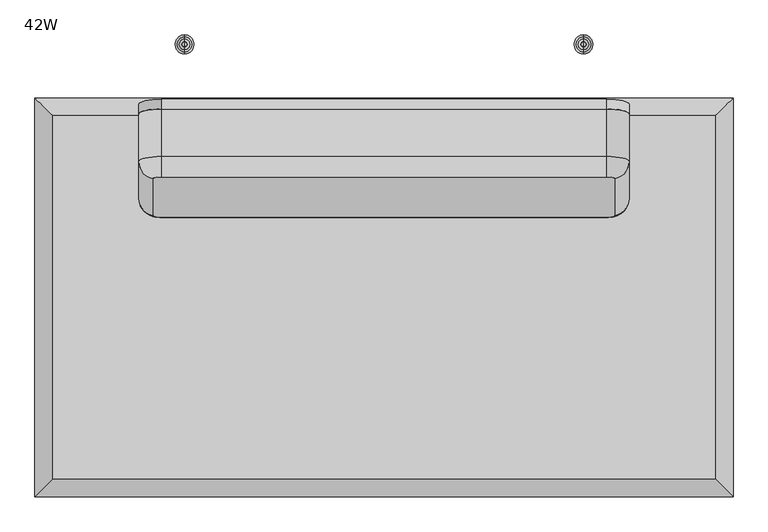
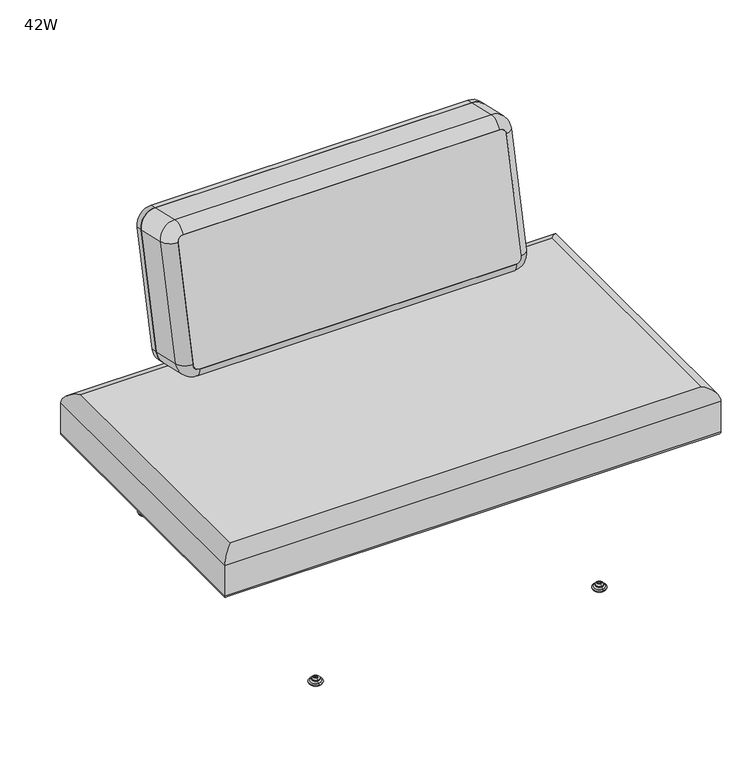
"""IFC4 building model written with IfcOpenShell, lengths in millimetres: furniture geometry, 42W."""

from ifc_helpers import new_model, si_unit, point, frame, frame_2d, origin, place, context, project, spatial, polyline, circle_curve, ellipse_curve, trimmed, segment, composite_curve, outline, extrude, source, transform, mapped, element, save
from ifc_brep_helpers import plane_surface, cylinder_surface, revolved_surface, advanced_brep


def furniture_42w_9d2372a4(model_context):
    return source(origin(), model_context, "Body", "SolidModel", [
        extrude(outline(composite_curve([segment(trimmed(circle_curve(frame_2d((0.0, -34.2841348)), 34.2841348), [point((34.2841348, -34.2841348))], [point((0.0, -68.5682696))], False, "CARTESIAN"), True, "CONTINUOUS"), segment(polyline([(0.0, -68.5682696), (-249.5042521, -68.5682696)]), True, "CONTINUOUS"), segment(trimmed(circle_curve(frame_2d((-249.5042521, -34.2841348)), 34.2841348), [point((-249.5042521, -68.5682696))], [point((-283.7883869, -34.2841348))], False, "CARTESIAN"), True, "CONTINUOUS"), segment(polyline([(-283.7883869, -34.2841348), (-283.7883869, 646.50369)]), True, "CONTINUOUS"), segment(trimmed(circle_curve(frame_2d((-249.5042521, 646.50369)), 34.2841348), [point((-283.7883869, 646.50369))], [point((-249.5042521, 680.7878248))], False, "CARTESIAN"), True, "CONTINUOUS"), segment(polyline([(-249.5042521, 680.7878248), (0.0, 680.7878248)]), True, "CONTINUOUS"), segment(trimmed(circle_curve(frame_2d((0.0, 646.50369)), 34.2841348), [point((0.0, 680.7878248))], [point((34.2841348, 646.50369))], False, "CARTESIAN"), True, "CONTINUOUS"), segment(polyline([(34.2841348, 646.50369), (34.2841348, -34.2841348)]), True, "CONTINUOUS")], self_intersect=False)), frame((839.4758652, -106.2904287, 729.1964486), z_axis=(0.0, -0.9743700647852357, 0.2249510543438632), x_axis=(0.0, 0.2249510543438632, 0.9743700647852357)), (0.0, 0.0, 1.0), 15.2414002),
        advanced_brep(
        [(27.2635975, -123.7984512, 405.8895176), (27.2635975, -678.8688097, 405.8895176), (1039.5428944, -678.8688097, 405.8895176), (1039.5428944, -123.7984512, 405.8895176), (6.3491764, -699.7832308, 304.2919641), (6.3491764, -102.8840302, 304.2919641), (1060.4573154, -102.8840302, 304.2919641), (1060.4573154, -699.7832308, 304.2919641), (-0.0008236, -96.5340302, 310.6419641), (-0.0008236, -706.1332308, 310.6419641), (-0.0008236, -706.1332308, 379.4503267), (-0.0008236, -96.5340302, 379.4503267), (1066.8073154, -706.1332308, 310.6419641), (1066.8073154, -706.1332308, 379.4503267), (1066.8073154, -96.5340302, 310.6419641), (1066.8073154, -96.5340302, 379.4503267)],
        [
            (0, 1),
            (1, 2),
            (2, 3),
            (3, 0),
            (4, 5),
            (5, 6),
            (6, 7),
            (7, 4),
            (8, 5, ellipse_curve(frame((6.3491764, -102.8840302, 310.6419641), z_axis=(-0.7071067811865481, -0.7071067811865468, 0.0), x_axis=(-0.7071067811865466, 0.7071067811865483, 0.0)), 8.9802561, 6.35)),
            (4, 9, ellipse_curve(frame((6.3491764, -699.7832308, 310.6419641), z_axis=(-0.7071067811865468, 0.7071067811865481, 0.0), x_axis=(0.7071067811865481, 0.7071067811865469, 0.0)), 8.9802561, 6.35)),
            (9, 8),
            (9, 10),
            (10, 11),
            (11, 8),
            (10, 1, ellipse_curve(frame((26.4508562, -679.681551, 379.4503267), z_axis=(-0.7071067811865468, 0.7071067811865481, 0.0), x_axis=(0.7071067811865481, 0.7071067811865469, 0.0)), 37.4083243, 26.4516798)),
            (0, 11, ellipse_curve(frame((26.4508562, -122.98571, 379.4503267), z_axis=(-0.7071067811865481, -0.7071067811865468, 0.0), x_axis=(-0.7071067811865466, 0.7071067811865483, 0.0)), 37.4083243, 26.4516798)),
            (7, 12, ellipse_curve(frame((1060.4573154, -699.7832308, 310.6419641), z_axis=(-0.7071067811865476, -0.7071067811865474, 0.0), x_axis=(-0.7071067811865475, 0.7071067811865475, 0.0)), 8.9802561, 6.35)),
            (12, 9),
            (12, 13),
            (13, 10),
            (13, 2, ellipse_curve(frame((1040.3556356, -679.681551, 379.4503267), z_axis=(-0.7071067811865476, -0.7071067811865474, 0.0), x_axis=(-0.7071067811865475, 0.7071067811865475, 0.0)), 37.4083243, 26.4516798)),
            (6, 14, ellipse_curve(frame((1060.4573154, -102.8840302, 310.6419641), z_axis=(0.7071067811865474, -0.7071067811865476, 0.0), x_axis=(-0.7071067811865475, -0.7071067811865475, 0.0)), 8.9802561, 6.35)),
            (14, 12),
            (14, 15),
            (15, 13),
            (15, 3, ellipse_curve(frame((1040.3556356, -122.98571, 379.4503267), z_axis=(0.7071067811865474, -0.7071067811865476, 0.0), x_axis=(-0.7071067811865475, -0.7071067811865475, 0.0)), 37.4083243, 26.4516798)),
            (8, 14),
            (11, 15),
        ],
        [
            plane_surface(frame((27.2635975, -678.8688097, 405.8895176), z_axis=(0.0, 0.0, 1.0), x_axis=(1.0, 0.0, 0.0))),
            plane_surface(frame((27.2635975, -678.8688097, 304.2919641), z_axis=(0.0, 0.0, -1.0), x_axis=(-1.0, 0.0, 0.0))),
            cylinder_surface(frame((6.3491764, -123.7984512, 310.6419641), z_axis=(0.0, 1.0, 0.0), x_axis=(1.0, 0.0, 0.0)), 6.35),
            plane_surface(frame((-0.0008236, -96.5340302, 310.6419641), z_axis=(-1.0, 0.0, 0.0), x_axis=(0.0, -1.0, 0.0))),
            cylinder_surface(frame((26.4508562, -123.7984512, 379.4503267), z_axis=(0.0, 1.0, 0.0), x_axis=(1.0, 0.0, 0.0)), 26.4516798),
            cylinder_surface(frame((27.2635975, -699.7832308, 310.6419641), z_axis=(-1.0, 0.0, 0.0), x_axis=(0.0, 1.0, 0.0)), 6.35),
            plane_surface(frame((-0.0008236, -706.1332308, 310.6419641), z_axis=(0.0, -1.0, 0.0), x_axis=(1.0, 0.0, 0.0))),
            cylinder_surface(frame((27.2635975, -679.681551, 379.4503267), z_axis=(-1.0, 0.0, 0.0), x_axis=(0.0, 1.0, 0.0)), 26.4516798),
            cylinder_surface(frame((1060.4573154, -678.8688097, 310.6419641), z_axis=(0.0, -1.0, 0.0), x_axis=(-1.0, 0.0, 0.0)), 6.35),
            plane_surface(frame((1066.8073154, -706.1332308, 310.6419641), z_axis=(1.0, 0.0, 0.0), x_axis=(0.0, 1.0, 0.0))),
            cylinder_surface(frame((1040.3556356, -678.8688097, 379.4503267), z_axis=(0.0, -1.0, 0.0), x_axis=(-1.0, 0.0, 0.0)), 26.4516798),
            cylinder_surface(frame((1039.5428944, -102.8840302, 310.6419641), z_axis=(1.0, 0.0, 0.0), x_axis=(0.0, -1.0, 0.0)), 6.35),
            plane_surface(frame((1066.8073154, -96.5340302, 310.6419641), z_axis=(0.0, 1.0, 0.0), x_axis=(-1.0, 0.0, 0.0))),
            cylinder_surface(frame((1039.5428944, -122.98571, 379.4503267), z_axis=(1.0, 0.0, 0.0), x_axis=(0.0, -1.0, 0.0)), 26.4516798),
        ],
        [
            (0, [[1, 2, 3, 4]]),
            (1, [[5, 6, 7, 8]]),
            (2, [[9, -5, 10, 11]]),
            (3, [[-11, 12, 13, 14]]),
            (4, [[-13, 15, -1, 16]]),
            (5, [[-10, -8, 17, 18]]),
            (6, [[-12, -18, 19, 20]]),
            (7, [[-15, -20, 21, -2]]),
            (8, [[-17, -7, 22, 23]]),
            (9, [[-19, -23, 24, 25]]),
            (10, [[-21, -25, 26, -3]]),
            (11, [[-9, 27, -22, -6]]),
            (12, [[-14, 28, -24, -27]]),
            (13, [[-16, -4, -26, -28]]),
        ],
    ),
        advanced_brep(
        [(838.2, -645.9431587, 14.8752118), (838.2, -652.5665699, 14.8752118), (838.2, -649.2548643, 14.8752118), (838.2, -645.3562211, 13.858606), (838.2, -653.1535076, 13.858606), (838.2, -641.3242474, 11.2402116), (838.2, -657.1854813, 11.2402116), (838.2, -641.3242474, 8.74896), (838.2, -657.1854813, 8.74896), (838.2, -642.9059165, 8.74896), (838.2, -655.6038121, 8.74896), (838.2, -638.0462975, 5.9432577), (838.2, -660.4634312, 5.9432577), (838.2, -634.8556417, 3.5556814), (838.2, -663.6540869, 3.5556814), (838.2, -636.908533, 0.0), (838.2, -661.6011957, 0.0), (838.2, -649.2548643, 0.0)],
        [
            (0, 1, circle_curve(frame((838.2, -649.2548643, 14.8752118), z_axis=(0.0, 0.0, 1.0), x_axis=(0.0, -1.0, 0.0)), 3.3117056)),
            (1, 2),
            (2, 0),
            (1, 0, circle_curve(frame((838.2, -649.2548643, 14.8752118), z_axis=(0.0, 0.0, 1.0), x_axis=(0.0, -1.0, 0.0)), 3.3117056)),
            (3, 4, circle_curve(frame((838.2, -649.2548643, 13.858606), z_axis=(0.0, 0.0, 1.0), x_axis=(0.0, -1.0, 0.0)), 3.8986433)),
            (4, 1),
            (0, 3),
            (4, 3, circle_curve(frame((838.2, -649.2548643, 13.858606), z_axis=(0.0, 0.0, 1.0), x_axis=(0.0, -1.0, 0.0)), 3.8986433)),
            (5, 6, circle_curve(frame((838.2, -649.2548643, 11.2402116), z_axis=(0.0, 0.0, 1.0), x_axis=(0.0, -1.0, 0.0)), 7.930617)),
            (6, 4),
            (3, 5),
            (6, 5, circle_curve(frame((838.2, -649.2548643, 11.2402116), z_axis=(0.0, 0.0, 1.0), x_axis=(0.0, -1.0, 0.0)), 7.930617)),
            (7, 8, circle_curve(frame((838.2, -649.2548643, 8.74896), z_axis=(0.0, 0.0, 1.0), x_axis=(0.0, -1.0, 0.0)), 7.930617)),
            (8, 6),
            (5, 7),
            (8, 7, circle_curve(frame((838.2, -649.2548643, 8.74896), z_axis=(0.0, 0.0, 1.0), x_axis=(0.0, -1.0, 0.0)), 7.930617)),
            (9, 10, circle_curve(frame((838.2, -649.2548643, 8.74896), z_axis=(0.0, 0.0, 1.0), x_axis=(0.0, -1.0, 0.0)), 6.3489478)),
            (10, 8),
            (7, 9),
            (10, 9, circle_curve(frame((838.2, -649.2548643, 8.74896), z_axis=(0.0, 0.0, 1.0), x_axis=(0.0, -1.0, 0.0)), 6.3489478)),
            (11, 12, circle_curve(frame((838.2, -649.2548643, 5.9432577), z_axis=(0.0, 0.0, 1.0), x_axis=(0.0, -1.0, 0.0)), 11.2085669)),
            (12, 10, circle_curve(frame((838.2, -660.1160571, 10.9529929), z_axis=(1.0, 0.0, 0.0), x_axis=(0.0, -1.0, 0.0)), 5.0217642)),
            (9, 11, circle_curve(frame((838.2, -638.3936715, 10.9529929), z_axis=(1.0, 0.0, 0.0), x_axis=(0.0, 1.0, 0.0)), 5.0217642)),
            (12, 11, circle_curve(frame((838.2, -649.2548643, 5.9432577), z_axis=(0.0, 0.0, 1.0), x_axis=(0.0, -1.0, 0.0)), 11.2085669)),
            (13, 14, circle_curve(frame((838.2, -649.2548643, 3.5556814), z_axis=(0.0, 0.0, 1.0), x_axis=(0.0, -1.0, 0.0)), 14.3992226)),
            (14, 12, circle_curve(frame((838.2, -660.6744794, 2.8995769), z_axis=(-1.0, 0.0, 0.0), x_axis=(0.0, -1.0, 0.0)), 3.050989)),
            (11, 13, circle_curve(frame((838.2, -637.8352492, 2.8995769), z_axis=(-1.0, 0.0, 0.0), x_axis=(0.0, 1.0, 0.0)), 3.050989)),
            (14, 13, circle_curve(frame((838.2, -649.2548643, 3.5556814), z_axis=(0.0, 0.0, 1.0), x_axis=(0.0, -1.0, 0.0)), 14.3992226)),
            (15, 16, circle_curve(frame((838.2, -649.2548643, 0.0), z_axis=(0.0, 0.0, 1.0), x_axis=(0.0, -1.0, 0.0)), 12.3463313)),
            (16, 14),
            (13, 15),
            (16, 15, circle_curve(frame((838.2, -649.2548643, 0.0), z_axis=(0.0, 0.0, 1.0), x_axis=(0.0, -1.0, 0.0)), 12.3463313)),
            (17, 16),
            (15, 17),
        ],
        [
            plane_surface(frame((838.2, -649.2548643, 14.8752118), z_axis=(0.0, 0.0, 1.0), x_axis=(0.0, -1.0, 0.0))),
            revolved_surface(polyline([(838.2, -652.5665699, 14.8752118), (838.2, -653.1535076, 13.858606)]), (838.2, -649.2548643, 0.0), (0.0, 0.0, -1.0)),
            revolved_surface(polyline([(838.2, -653.1535076, 13.858606), (838.2, -657.1854813, 11.2402116)]), (838.2, -649.2548643, 0.0), (0.0, 0.0, -1.0)),
            cylinder_surface(frame((838.2, -649.2548643, 0.0), z_axis=(0.0, 0.0, -1.0), x_axis=(0.0, -1.0, 0.0)), 7.930617),
            plane_surface(frame((838.2, -649.2548643, 8.74896), z_axis=(0.0, 0.0, -1.0), x_axis=(0.0, -1.0, 0.0))),
            revolved_surface(trimmed(ellipse_curve(frame((838.2, -660.1160571, 10.9529929), z_axis=(-1.0, 0.0, 0.0), x_axis=(0.0, -1.0, 0.0)), 5.0217642, 5.0217642), [point((838.2, -655.6038121, 8.74896))], [point((838.2, -660.4634312, 5.9432577))], True, "CARTESIAN"), (838.2, -649.2548643, 0.0), (0.0, 0.0, -1.0)),
            revolved_surface(trimmed(ellipse_curve(frame((838.2, -660.6744794, 2.8995769), z_axis=(1.0, 0.0, 0.0), x_axis=(0.0, -1.0, 0.0)), 3.050989, 3.050989), [point((838.2, -660.4634312, 5.9432577))], [point((838.2, -663.6540869, 3.5556814))], True, "CARTESIAN"), (838.2, -649.2548643, 0.0), (0.0, 0.0, -1.0)),
            revolved_surface(polyline([(838.2, -663.6540869, 3.5556814), (838.2, -661.6011957, 0.0)]), (838.2, -649.2548643, 0.0), (0.0, 0.0, -1.0)),
            plane_surface(frame((838.2, -649.2548643, 0.0), z_axis=(0.0, 0.0, -1.0), x_axis=(0.0, -1.0, 0.0))),
        ],
        [
            (0, [[1, 2, 3]]),
            (0, [[4, -3, -2]]),
            (1, [[5, 6, -1, 7]]),
            (1, [[8, -7, -4, -6]]),
            (2, [[9, 10, -5, 11]]),
            (2, [[12, -11, -8, -10]]),
            (3, [[13, 14, -9, 15]]),
            (3, [[16, -15, -12, -14]]),
            (4, [[17, 18, -13, 19]]),
            (4, [[20, -19, -16, -18]]),
            (5, [[21, 22, -17, 23]]),
            (5, [[24, -23, -20, -22]]),
            (6, [[25, 26, -21, 27]]),
            (6, [[28, -27, -24, -26]]),
            (7, [[29, 30, -25, 31]]),
            (7, [[32, -31, -28, -30]]),
            (8, [[33, -29, 34]]),
            (8, [[-34, -32, -33]]),
        ],
    ),
        advanced_brep(
        [(838.2, -14.3992226, 14.8752118), (838.2, -11.087517, 14.8752118), (838.2, -17.7109282, 14.8752118), (838.2, -10.5005793, 13.858606), (838.2, -18.2978659, 13.858606), (838.2, -6.4686056, 11.2402116), (838.2, -22.3298395, 11.2402116), (838.2, -6.4686056, 8.74896), (838.2, -22.3298395, 8.74896), (838.2, -8.0502748, 8.74896), (838.2, -20.7481704, 8.74896), (838.2, -3.1906557, 5.9432577), (838.2, -25.6077895, 5.9432577), (838.2, 0.0, 3.5556814), (838.2, -28.7984452, 3.5556814), (838.2, -2.0528912, 0.0), (838.2, -26.7455539, 0.0), (838.2, -14.3992226, 0.0)],
        [
            (0, 1),
            (1, 2, circle_curve(frame((838.2, -14.3992226, 14.8752118), z_axis=(0.0, 0.0, 1.0), x_axis=(0.0, 1.0, 0.0)), 3.3117056)),
            (2, 0),
            (2, 1, circle_curve(frame((838.2, -14.3992226, 14.8752118), z_axis=(0.0, 0.0, 1.0), x_axis=(0.0, 1.0, 0.0)), 3.3117056)),
            (1, 3),
            (3, 4, circle_curve(frame((838.2, -14.3992226, 13.858606), z_axis=(0.0, 0.0, 1.0), x_axis=(0.0, 1.0, 0.0)), 3.8986433)),
            (4, 2),
            (4, 3, circle_curve(frame((838.2, -14.3992226, 13.858606), z_axis=(0.0, 0.0, 1.0), x_axis=(0.0, 1.0, 0.0)), 3.8986433)),
            (3, 5),
            (5, 6, circle_curve(frame((838.2, -14.3992226, 11.2402116), z_axis=(0.0, 0.0, 1.0), x_axis=(0.0, 1.0, 0.0)), 7.930617)),
            (6, 4),
            (6, 5, circle_curve(frame((838.2, -14.3992226, 11.2402116), z_axis=(0.0, 0.0, 1.0), x_axis=(0.0, 1.0, 0.0)), 7.930617)),
            (5, 7),
            (7, 8, circle_curve(frame((838.2, -14.3992226, 8.74896), z_axis=(0.0, 0.0, 1.0), x_axis=(0.0, 1.0, 0.0)), 7.930617)),
            (8, 6),
            (8, 7, circle_curve(frame((838.2, -14.3992226, 8.74896), z_axis=(0.0, 0.0, 1.0), x_axis=(0.0, 1.0, 0.0)), 7.930617)),
            (7, 9),
            (9, 10, circle_curve(frame((838.2, -14.3992226, 8.74896), z_axis=(0.0, 0.0, 1.0), x_axis=(0.0, 1.0, 0.0)), 6.3489478)),
            (10, 8),
            (10, 9, circle_curve(frame((838.2, -14.3992226, 8.74896), z_axis=(0.0, 0.0, 1.0), x_axis=(0.0, 1.0, 0.0)), 6.3489478)),
            (9, 11, circle_curve(frame((838.2, -3.5380298, 10.9529929), z_axis=(1.0, 0.0, 0.0), x_axis=(0.0, -1.0, 0.0)), 5.0217642)),
            (11, 12, circle_curve(frame((838.2, -14.3992226, 5.9432577), z_axis=(0.0, 0.0, 1.0), x_axis=(0.0, 1.0, 0.0)), 11.2085669)),
            (12, 10, circle_curve(frame((838.2, -25.2604154, 10.9529929), z_axis=(1.0, 0.0, 0.0), x_axis=(0.0, 1.0, 0.0)), 5.0217642)),
            (12, 11, circle_curve(frame((838.2, -14.3992226, 5.9432577), z_axis=(0.0, 0.0, 1.0), x_axis=(0.0, 1.0, 0.0)), 11.2085669)),
            (11, 13, circle_curve(frame((838.2, -2.9796075, 2.8995769), z_axis=(-1.0, 0.0, 0.0), x_axis=(0.0, -1.0, 0.0)), 3.050989)),
            (13, 14, circle_curve(frame((838.2, -14.3992226, 3.5556814), z_axis=(0.0, 0.0, 1.0), x_axis=(0.0, 1.0, 0.0)), 14.3992226)),
            (14, 12, circle_curve(frame((838.2, -25.8188377, 2.8995769), z_axis=(-1.0, 0.0, 0.0), x_axis=(0.0, 1.0, 0.0)), 3.050989)),
            (14, 13, circle_curve(frame((838.2, -14.3992226, 3.5556814), z_axis=(0.0, 0.0, 1.0), x_axis=(0.0, 1.0, 0.0)), 14.3992226)),
            (13, 15),
            (15, 16, circle_curve(frame((838.2, -14.3992226, 0.0), z_axis=(0.0, 0.0, 1.0), x_axis=(0.0, 1.0, 0.0)), 12.3463313)),
            (16, 14),
            (16, 15, circle_curve(frame((838.2, -14.3992226, 0.0), z_axis=(0.0, 0.0, 1.0), x_axis=(0.0, 1.0, 0.0)), 12.3463313)),
            (15, 17),
            (17, 16),
        ],
        [
            plane_surface(frame((838.2, -14.3992226, 14.8752118), z_axis=(0.0, 0.0, 1.0), x_axis=(0.0, 1.0, 0.0))),
            revolved_surface(polyline([(838.2, -10.5005793, 13.858606), (838.2, -11.087517, 14.8752118)]), (838.2, -14.3992226, 0.0), (0.0, 0.0, 1.0)),
            revolved_surface(polyline([(838.2, -6.4686056, 11.2402116), (838.2, -10.5005793, 13.858606)]), (838.2, -14.3992226, 0.0), (0.0, 0.0, 1.0)),
            cylinder_surface(frame((838.2, -14.3992226, 0.0), z_axis=(0.0, 0.0, 1.0), x_axis=(0.0, 1.0, 0.0)), 7.930617),
            plane_surface(frame((838.2, -14.3992226, 8.74896), z_axis=(0.0, 0.0, -1.0), x_axis=(0.0, 1.0, 0.0))),
            revolved_surface(trimmed(ellipse_curve(frame((838.2, -3.5380298, 10.9529929), z_axis=(-1.0, 0.0, 0.0), x_axis=(0.0, -1.0, 0.0)), 5.0217642, 5.0217642), [point((838.2, -3.1906557, 5.9432577))], [point((838.2, -8.0502748, 8.74896))], True, "CARTESIAN"), (838.2, -14.3992226, 0.0), (0.0, 0.0, 1.0)),
            revolved_surface(trimmed(ellipse_curve(frame((838.2, -2.9796075, 2.8995769), z_axis=(1.0, 0.0, 0.0), x_axis=(0.0, -1.0, 0.0)), 3.050989, 3.050989), [point((838.2, 0.0, 3.5556814))], [point((838.2, -3.1906557, 5.9432577))], True, "CARTESIAN"), (838.2, -14.3992226, 0.0), (0.0, 0.0, 1.0)),
            revolved_surface(polyline([(838.2, -2.0528912, 0.0), (838.2, 0.0, 3.5556814)]), (838.2, -14.3992226, 0.0), (0.0, 0.0, 1.0)),
            plane_surface(frame((838.2, -14.3992226, 0.0), z_axis=(0.0, 0.0, -1.0), x_axis=(0.0, 1.0, 0.0))),
        ],
        [
            (0, [[1, 2, 3]]),
            (0, [[-3, 4, -1]]),
            (1, [[-2, 5, 6, 7]]),
            (1, [[-4, -7, 8, -5]]),
            (2, [[-6, 9, 10, 11]]),
            (2, [[-8, -11, 12, -9]]),
            (3, [[-10, 13, 14, 15]]),
            (3, [[-12, -15, 16, -13]]),
            (4, [[-14, 17, 18, 19]]),
            (4, [[-16, -19, 20, -17]]),
            (5, [[-18, 21, 22, 23]]),
            (5, [[-20, -23, 24, -21]]),
            (6, [[-22, 25, 26, 27]]),
            (6, [[-24, -27, 28, -25]]),
            (7, [[-26, 29, 30, 31]]),
            (7, [[-28, -31, 32, -29]]),
            (8, [[-30, 33, 34]]),
            (8, [[-32, -34, -33]]),
        ],
    ),
        advanced_brep(
        [(228.6, -649.2548643, 14.8752118), (228.6, -652.5665699, 14.8752118), (228.6, -645.9431587, 14.8752118), (228.6, -653.1535076, 13.858606), (228.6, -645.3562211, 13.858606), (228.6, -657.1854813, 11.2402116), (228.6, -641.3242474, 11.2402116), (228.6, -657.1854813, 8.74896), (228.6, -641.3242474, 8.74896), (228.6, -655.6038121, 8.74896), (228.6, -642.9059165, 8.74896), (228.6, -660.4634312, 5.9432577), (228.6, -638.0462975, 5.9432577), (228.6, -663.6540869, 3.5556814), (228.6, -634.8556417, 3.5556814), (228.6, -661.6011957, 0.0), (228.6, -636.908533, 0.0), (228.6, -649.2548643, 0.0)],
        [
            (0, 1),
            (1, 2, circle_curve(frame((228.6, -649.2548643, 14.8752118), z_axis=(0.0, 0.0, 1.0), x_axis=(0.0, -1.0, 0.0)), 3.3117056)),
            (2, 0),
            (2, 1, circle_curve(frame((228.6, -649.2548643, 14.8752118), z_axis=(0.0, 0.0, 1.0), x_axis=(0.0, -1.0, 0.0)), 3.3117056)),
            (1, 3),
            (3, 4, circle_curve(frame((228.6, -649.2548643, 13.858606), z_axis=(0.0, 0.0, 1.0), x_axis=(0.0, -1.0, 0.0)), 3.8986433)),
            (4, 2),
            (4, 3, circle_curve(frame((228.6, -649.2548643, 13.858606), z_axis=(0.0, 0.0, 1.0), x_axis=(0.0, -1.0, 0.0)), 3.8986433)),
            (3, 5),
            (5, 6, circle_curve(frame((228.6, -649.2548643, 11.2402116), z_axis=(0.0, 0.0, 1.0), x_axis=(0.0, -1.0, 0.0)), 7.930617)),
            (6, 4),
            (6, 5, circle_curve(frame((228.6, -649.2548643, 11.2402116), z_axis=(0.0, 0.0, 1.0), x_axis=(0.0, -1.0, 0.0)), 7.930617)),
            (5, 7),
            (7, 8, circle_curve(frame((228.6, -649.2548643, 8.74896), z_axis=(0.0, 0.0, 1.0), x_axis=(0.0, -1.0, 0.0)), 7.930617)),
            (8, 6),
            (8, 7, circle_curve(frame((228.6, -649.2548643, 8.74896), z_axis=(0.0, 0.0, 1.0), x_axis=(0.0, -1.0, 0.0)), 7.930617)),
            (7, 9),
            (9, 10, circle_curve(frame((228.6, -649.2548643, 8.74896), z_axis=(0.0, 0.0, 1.0), x_axis=(0.0, -1.0, 0.0)), 6.3489478)),
            (10, 8),
            (10, 9, circle_curve(frame((228.6, -649.2548643, 8.74896), z_axis=(0.0, 0.0, 1.0), x_axis=(0.0, -1.0, 0.0)), 6.3489478)),
            (9, 11, circle_curve(frame((228.6, -660.1160571, 10.9529929), z_axis=(-1.0, 0.0, 0.0), x_axis=(0.0, 1.0, 0.0)), 5.0217642)),
            (11, 12, circle_curve(frame((228.6, -649.2548643, 5.9432577), z_axis=(0.0, 0.0, 1.0), x_axis=(0.0, -1.0, 0.0)), 11.2085669)),
            (12, 10, circle_curve(frame((228.6, -638.3936715, 10.9529929), z_axis=(-1.0, 0.0, 0.0), x_axis=(0.0, -1.0, 0.0)), 5.0217642)),
            (12, 11, circle_curve(frame((228.6, -649.2548643, 5.9432577), z_axis=(0.0, 0.0, 1.0), x_axis=(0.0, -1.0, 0.0)), 11.2085669)),
            (11, 13, circle_curve(frame((228.6, -660.6744794, 2.8995769), z_axis=(1.0, 0.0, 0.0), x_axis=(0.0, 1.0, 0.0)), 3.050989)),
            (13, 14, circle_curve(frame((228.6, -649.2548643, 3.5556814), z_axis=(0.0, 0.0, 1.0), x_axis=(0.0, -1.0, 0.0)), 14.3992226)),
            (14, 12, circle_curve(frame((228.6, -637.8352492, 2.8995769), z_axis=(1.0, 0.0, 0.0), x_axis=(0.0, -1.0, 0.0)), 3.050989)),
            (14, 13, circle_curve(frame((228.6, -649.2548643, 3.5556814), z_axis=(0.0, 0.0, 1.0), x_axis=(0.0, -1.0, 0.0)), 14.3992226)),
            (13, 15),
            (15, 16, circle_curve(frame((228.6, -649.2548643, 0.0), z_axis=(0.0, 0.0, 1.0), x_axis=(0.0, -1.0, 0.0)), 12.3463313)),
            (16, 14),
            (16, 15, circle_curve(frame((228.6, -649.2548643, 0.0), z_axis=(0.0, 0.0, 1.0), x_axis=(0.0, -1.0, 0.0)), 12.3463313)),
            (15, 17),
            (17, 16),
        ],
        [
            plane_surface(frame((228.6, -649.2548643, 14.8752118), z_axis=(0.0, 0.0, 1.0), x_axis=(0.0, -1.0, 0.0))),
            revolved_surface(polyline([(228.6, -653.1535076, 13.858606), (228.6, -652.5665699, 14.8752118)]), (228.6, -649.2548643, 0.0), (0.0, 0.0, 1.0)),
            revolved_surface(polyline([(228.6, -657.1854813, 11.2402116), (228.6, -653.1535076, 13.858606)]), (228.6, -649.2548643, 0.0), (0.0, 0.0, 1.0)),
            cylinder_surface(frame((228.6, -649.2548643, 0.0), z_axis=(0.0, 0.0, 1.0), x_axis=(0.0, -1.0, 0.0)), 7.930617),
            plane_surface(frame((228.6, -649.2548643, 8.74896), z_axis=(0.0, 0.0, -1.0), x_axis=(0.0, -1.0, 0.0))),
            revolved_surface(trimmed(ellipse_curve(frame((228.6, -660.1160571, 10.9529929), z_axis=(1.0, 0.0, 0.0), x_axis=(0.0, 1.0, 0.0)), 5.0217642, 5.0217642), [point((228.6, -660.4634312, 5.9432577))], [point((228.6, -655.6038121, 8.74896))], True, "CARTESIAN"), (228.6, -649.2548643, 0.0), (0.0, 0.0, 1.0)),
            revolved_surface(trimmed(ellipse_curve(frame((228.6, -660.6744794, 2.8995769), z_axis=(-1.0, 0.0, 0.0), x_axis=(0.0, 1.0, 0.0)), 3.050989, 3.050989), [point((228.6, -663.6540869, 3.5556814))], [point((228.6, -660.4634312, 5.9432577))], True, "CARTESIAN"), (228.6, -649.2548643, 0.0), (0.0, 0.0, 1.0)),
            revolved_surface(polyline([(228.6, -661.6011957, 0.0), (228.6, -663.6540869, 3.5556814)]), (228.6, -649.2548643, 0.0), (0.0, 0.0, 1.0)),
            plane_surface(frame((228.6, -649.2548643, 0.0), z_axis=(0.0, 0.0, -1.0), x_axis=(0.0, -1.0, 0.0))),
        ],
        [
            (0, [[1, 2, 3]]),
            (0, [[-3, 4, -1]]),
            (1, [[-2, 5, 6, 7]]),
            (1, [[-4, -7, 8, -5]]),
            (2, [[-6, 9, 10, 11]]),
            (2, [[-8, -11, 12, -9]]),
            (3, [[-10, 13, 14, 15]]),
            (3, [[-12, -15, 16, -13]]),
            (4, [[-14, 17, 18, 19]]),
            (4, [[-16, -19, 20, -17]]),
            (5, [[-18, 21, 22, 23]]),
            (5, [[-20, -23, 24, -21]]),
            (6, [[-22, 25, 26, 27]]),
            (6, [[-24, -27, 28, -25]]),
            (7, [[-26, 29, 30, 31]]),
            (7, [[-28, -31, 32, -29]]),
            (8, [[-30, 33, 34]]),
            (8, [[-32, -34, -33]]),
        ],
    ),
        advanced_brep(
        [(228.6, -17.7109282, 14.8752118), (228.6, -11.087517, 14.8752118), (228.6, -14.3992226, 14.8752118), (228.6, -18.2978659, 13.858606), (228.6, -10.5005793, 13.858606), (228.6, -22.3298395, 11.2402116), (228.6, -6.4686056, 11.2402116), (228.6, -22.3298395, 8.74896), (228.6, -6.4686056, 8.74896), (228.6, -20.7481704, 8.74896), (228.6, -8.0502748, 8.74896), (228.6, -25.6077895, 5.9432577), (228.6, -3.1906557, 5.9432577), (228.6, -28.7984452, 3.5556814), (228.6, 0.0, 3.5556814), (228.6, -26.7455539, 0.0), (228.6, -2.0528912, 0.0), (228.6, -14.3992226, 0.0)],
        [
            (0, 1, circle_curve(frame((228.6, -14.3992226, 14.8752118), z_axis=(0.0, 0.0, 1.0), x_axis=(0.0, 1.0, 0.0)), 3.3117056)),
            (1, 2),
            (2, 0),
            (1, 0, circle_curve(frame((228.6, -14.3992226, 14.8752118), z_axis=(0.0, 0.0, 1.0), x_axis=(0.0, 1.0, 0.0)), 3.3117056)),
            (3, 4, circle_curve(frame((228.6, -14.3992226, 13.858606), z_axis=(0.0, 0.0, 1.0), x_axis=(0.0, 1.0, 0.0)), 3.8986433)),
            (4, 1),
            (0, 3),
            (4, 3, circle_curve(frame((228.6, -14.3992226, 13.858606), z_axis=(0.0, 0.0, 1.0), x_axis=(0.0, 1.0, 0.0)), 3.8986433)),
            (5, 6, circle_curve(frame((228.6, -14.3992226, 11.2402116), z_axis=(0.0, 0.0, 1.0), x_axis=(0.0, 1.0, 0.0)), 7.930617)),
            (6, 4),
            (3, 5),
            (6, 5, circle_curve(frame((228.6, -14.3992226, 11.2402116), z_axis=(0.0, 0.0, 1.0), x_axis=(0.0, 1.0, 0.0)), 7.930617)),
            (7, 8, circle_curve(frame((228.6, -14.3992226, 8.74896), z_axis=(0.0, 0.0, 1.0), x_axis=(0.0, 1.0, 0.0)), 7.930617)),
            (8, 6),
            (5, 7),
            (8, 7, circle_curve(frame((228.6, -14.3992226, 8.74896), z_axis=(0.0, 0.0, 1.0), x_axis=(0.0, 1.0, 0.0)), 7.930617)),
            (9, 10, circle_curve(frame((228.6, -14.3992226, 8.74896), z_axis=(0.0, 0.0, 1.0), x_axis=(0.0, 1.0, 0.0)), 6.3489478)),
            (10, 8),
            (7, 9),
            (10, 9, circle_curve(frame((228.6, -14.3992226, 8.74896), z_axis=(0.0, 0.0, 1.0), x_axis=(0.0, 1.0, 0.0)), 6.3489478)),
            (11, 12, circle_curve(frame((228.6, -14.3992226, 5.9432577), z_axis=(0.0, 0.0, 1.0), x_axis=(0.0, 1.0, 0.0)), 11.2085669)),
            (12, 10, circle_curve(frame((228.6, -3.5380298, 10.9529929), z_axis=(-1.0, 0.0, 0.0), x_axis=(0.0, -1.0, 0.0)), 5.0217642)),
            (9, 11, circle_curve(frame((228.6, -25.2604154, 10.9529929), z_axis=(-1.0, 0.0, 0.0), x_axis=(0.0, 1.0, 0.0)), 5.0217642)),
            (12, 11, circle_curve(frame((228.6, -14.3992226, 5.9432577), z_axis=(0.0, 0.0, 1.0), x_axis=(0.0, 1.0, 0.0)), 11.2085669)),
            (13, 14, circle_curve(frame((228.6, -14.3992226, 3.5556814), z_axis=(0.0, 0.0, 1.0), x_axis=(0.0, 1.0, 0.0)), 14.3992226)),
            (14, 12, circle_curve(frame((228.6, -2.9796075, 2.8995769), z_axis=(1.0, 0.0, 0.0), x_axis=(0.0, -1.0, 0.0)), 3.050989)),
            (11, 13, circle_curve(frame((228.6, -25.8188377, 2.8995769), z_axis=(1.0, 0.0, 0.0), x_axis=(0.0, 1.0, 0.0)), 3.050989)),
            (14, 13, circle_curve(frame((228.6, -14.3992226, 3.5556814), z_axis=(0.0, 0.0, 1.0), x_axis=(0.0, 1.0, 0.0)), 14.3992226)),
            (15, 16, circle_curve(frame((228.6, -14.3992226, 0.0), z_axis=(0.0, 0.0, 1.0), x_axis=(0.0, 1.0, 0.0)), 12.3463313)),
            (16, 14),
            (13, 15),
            (16, 15, circle_curve(frame((228.6, -14.3992226, 0.0), z_axis=(0.0, 0.0, 1.0), x_axis=(0.0, 1.0, 0.0)), 12.3463313)),
            (17, 16),
            (15, 17),
        ],
        [
            plane_surface(frame((228.6, -14.3992226, 14.8752118), z_axis=(0.0, 0.0, 1.0), x_axis=(0.0, 1.0, 0.0))),
            revolved_surface(polyline([(228.6, -11.087517, 14.8752118), (228.6, -10.5005793, 13.858606)]), (228.6, -14.3992226, 0.0), (0.0, 0.0, -1.0)),
            revolved_surface(polyline([(228.6, -10.5005793, 13.858606), (228.6, -6.4686056, 11.2402116)]), (228.6, -14.3992226, 0.0), (0.0, 0.0, -1.0)),
            cylinder_surface(frame((228.6, -14.3992226, 0.0), z_axis=(0.0, 0.0, -1.0), x_axis=(0.0, 1.0, 0.0)), 7.930617),
            plane_surface(frame((228.6, -14.3992226, 8.74896), z_axis=(0.0, 0.0, -1.0), x_axis=(0.0, 1.0, 0.0))),
            revolved_surface(trimmed(ellipse_curve(frame((228.6, -3.5380298, 10.9529929), z_axis=(1.0, 0.0, 0.0), x_axis=(0.0, -1.0, 0.0)), 5.0217642, 5.0217642), [point((228.6, -8.0502748, 8.74896))], [point((228.6, -3.1906557, 5.9432577))], True, "CARTESIAN"), (228.6, -14.3992226, 0.0), (0.0, 0.0, -1.0)),
            revolved_surface(trimmed(ellipse_curve(frame((228.6, -2.9796075, 2.8995769), z_axis=(-1.0, 0.0, 0.0), x_axis=(0.0, -1.0, 0.0)), 3.050989, 3.050989), [point((228.6, -3.1906557, 5.9432577))], [point((228.6, 0.0, 3.5556814))], True, "CARTESIAN"), (228.6, -14.3992226, 0.0), (0.0, 0.0, -1.0)),
            revolved_surface(polyline([(228.6, 0.0, 3.5556814), (228.6, -2.0528912, 0.0)]), (228.6, -14.3992226, 0.0), (0.0, 0.0, -1.0)),
            plane_surface(frame((228.6, -14.3992226, 0.0), z_axis=(0.0, 0.0, -1.0), x_axis=(0.0, 1.0, 0.0))),
        ],
        [
            (0, [[1, 2, 3]]),
            (0, [[4, -3, -2]]),
            (1, [[5, 6, -1, 7]]),
            (1, [[8, -7, -4, -6]]),
            (2, [[9, 10, -5, 11]]),
            (2, [[12, -11, -8, -10]]),
            (3, [[13, 14, -9, 15]]),
            (3, [[16, -15, -12, -14]]),
            (4, [[17, 18, -13, 19]]),
            (4, [[20, -19, -16, -18]]),
            (5, [[21, 22, -17, 23]]),
            (5, [[24, -23, -20, -22]]),
            (6, [[25, 26, -21, 27]]),
            (6, [[28, -27, -24, -26]]),
            (7, [[29, 30, -25, 31]]),
            (7, [[32, -31, -28, -30]]),
            (8, [[33, -29, 34]]),
            (8, [[-34, -32, -33]]),
        ],
    ),
        advanced_brep(
        [(180.2721752, -220.1490121, 755.4827738), (192.9721752, -217.2921337, 767.8572736), (192.9721752, -186.0907368, 782.8057497), (158.6880404, -193.8029891, 749.4003151), (180.2721752, -121.1411928, 732.6250176), (192.9721752, -118.2843144, 744.9995174), (192.9721752, -113.4289405, 766.0304522), (158.6880404, -121.1411928, 732.6250176), (158.6880404, -249.9292337, 506.2908408), (180.2721752, -276.2752567, 512.3732995), (180.2721752, -177.2674373, 489.5155433), (158.6880404, -177.2674373, 489.5155433), (192.9721752, -279.1321351, 499.9987997), (192.9721752, -257.6414859, 472.8854062), (192.9721752, -180.1243157, 477.1410435), (192.9721752, -184.9796896, 456.1101087), (873.76, -257.6414859, 472.8854062), (873.76, -279.1321351, 499.9987997), (873.76, -180.1243157, 477.1410435), (873.76, -184.9796896, 456.1101087), (886.46, -276.2752567, 512.3732995), (908.0441348, -249.9292337, 506.2908408), (886.46, -177.2674373, 489.5155433), (908.0441348, -177.2674373, 489.5155433), (908.0441348, -193.8029891, 749.4003151), (886.46, -220.1490121, 755.4827738), (886.46, -121.1411928, 732.6250176), (908.0441348, -121.1411928, 732.6250176), (873.76, -217.2921337, 767.8572736), (873.76, -186.0907368, 782.8057497), (873.76, -118.2843144, 744.9995174), (873.76, -113.4289405, 766.0304522)],
        [
            (0, 1, circle_curve(frame((192.9721752, -220.1490121, 755.4827738), z_axis=(0.0, 0.9743700647852357, -0.22495105434386325), x_axis=(0.0, 0.22495105434386325, 0.9743700647852357)), 12.7)),
            (1, 2, circle_curve(frame((192.9721752, -192.3282543, 755.7880932), z_axis=(-1.0000000000000004, 0.0, 0.0), x_axis=(0.0, -0.22495105434386323, -0.9743700647852357)), 27.7283319)),
            (2, 3, circle_curve(frame((192.9721752, -193.8029891, 749.4003151), z_axis=(0.0, -0.9743700647852357, 0.22495105434386325), x_axis=(0.0, 0.22495105434386325, 0.9743700647852357)), 34.2841348)),
            (3, 0, circle_curve(frame((186.4163724, -193.8029891, 749.4003151), z_axis=(0.0, 0.22495105434386325, 0.9743700647852357), x_axis=(1.0000000000000004, 0.0, 0.0)), 27.7283319)),
            (4, 5, circle_curve(frame((192.9721752, -121.1411928, 732.6250176), z_axis=(0.0, 0.9743700647852357, -0.22495105434386325), x_axis=(0.0, 0.22495105434386325, 0.9743700647852357)), 12.7)),
            (5, 1),
            (0, 4),
            (2, 6),
            (6, 7, circle_curve(frame((192.9721752, -121.1411928, 732.6250176), z_axis=(0.0, -0.9743700647852357, 0.22495105434386325), x_axis=(0.0, 0.22495105434386325, 0.9743700647852357)), 34.2841348)),
            (7, 3),
            (3, 8),
            (8, 9, circle_curve(frame((186.4163724, -249.9292337, 506.2908408), z_axis=(0.0, 0.2249510543438632, 0.9743700647852358), x_axis=(1.0, 0.0, 0.0)), 27.7283319)),
            (9, 0),
            (9, 10),
            (10, 4),
            (7, 11),
            (11, 8),
            (12, 9, circle_curve(frame((192.9721752, -276.2752567, 512.3732995), z_axis=(0.0, 0.9743700647852357, -0.22495105434386325), x_axis=(-1.0000000000000002, 0.0, 0.0)), 12.7)),
            (8, 13, circle_curve(frame((192.9721752, -249.9292337, 506.2908408), z_axis=(0.0, -0.9743700647852357, 0.22495105434386325), x_axis=(-1.0000000000000002, 0.0, 0.0)), 34.2841348)),
            (13, 12, circle_curve(frame((192.9721752, -251.4039684, 499.9030628), z_axis=(-1.0000000000000002, 0.0, 0.0), x_axis=(0.0, 0.22495105434386342, 0.9743700647852361)), 27.7283319)),
            (14, 10, circle_curve(frame((192.9721752, -177.2674373, 489.5155433), z_axis=(0.0, 0.9743700647852357, -0.22495105434386325), x_axis=(-1.0000000000000002, 0.0, 0.0)), 12.7)),
            (12, 14),
            (11, 15, circle_curve(frame((192.9721752, -177.2674373, 489.5155433), z_axis=(0.0, -0.9743700647852357, 0.22495105434386325), x_axis=(-1.0000000000000002, 0.0, 0.0)), 34.2841348)),
            (15, 13),
            (13, 16),
            (16, 17, circle_curve(frame((873.76, -251.4039684, 499.9030628), z_axis=(-1.0, 0.0, 0.0), x_axis=(0.0, 0.2249510543438633, 0.9743700647852357)), 27.7283319)),
            (17, 12),
            (17, 18),
            (18, 14),
            (15, 19),
            (19, 16),
            (20, 17, circle_curve(frame((873.76, -276.2752567, 512.3732995), z_axis=(0.0, 0.9743700647852357, -0.22495105434386325), x_axis=(0.0, -0.22495105434386325, -0.9743700647852357)), 12.7)),
            (16, 21, circle_curve(frame((873.76, -249.9292337, 506.2908408), z_axis=(0.0, -0.9743700647852357, 0.22495105434386325), x_axis=(0.0, -0.22495105434386325, -0.9743700647852357)), 34.2841348)),
            (21, 20, circle_curve(frame((880.3158029, -249.9292337, 506.2908408), z_axis=(0.0, -0.22495105434386323, -0.9743700647852357), x_axis=(-1.0000000000000002, 0.0, 0.0)), 27.7283319)),
            (22, 18, circle_curve(frame((873.76, -177.2674373, 489.5155433), z_axis=(0.0, 0.9743700647852357, -0.22495105434386325), x_axis=(0.0, -0.22495105434386325, -0.9743700647852357)), 12.7)),
            (20, 22),
            (19, 23, circle_curve(frame((873.76, -177.2674373, 489.5155433), z_axis=(0.0, -0.9743700647852357, 0.22495105434386325), x_axis=(0.0, -0.22495105434386325, -0.9743700647852357)), 34.2841348)),
            (23, 21),
            (21, 24),
            (24, 25, circle_curve(frame((880.3158029, -193.8029891, 749.4003151), z_axis=(0.0, -0.22495105434386325, -0.9743700647852357), x_axis=(-1.0, 0.0, 0.0)), 27.7283319)),
            (25, 20),
            (25, 26),
            (26, 22),
            (23, 27),
            (27, 24),
            (28, 25, circle_curve(frame((873.76, -220.1490121, 755.4827738), z_axis=(0.0, 0.9743700647852357, -0.22495105434386325), x_axis=(1.0, 0.0, 0.0)), 12.7)),
            (24, 29, circle_curve(frame((873.76, -193.8029891, 749.4003151), z_axis=(0.0, -0.9743700647852357, 0.22495105434386325), x_axis=(1.0, 0.0, 0.0)), 34.2841348)),
            (29, 28, circle_curve(frame((873.76, -192.3282543, 755.7880932), z_axis=(1.0, 0.0, 0.0), x_axis=(0.0, -0.2249510543438632, -0.9743700647852357)), 27.7283319)),
            (30, 26, circle_curve(frame((873.76, -121.1411928, 732.6250176), z_axis=(0.0, 0.9743700647852357, -0.22495105434386325), x_axis=(1.0, 0.0, 0.0)), 12.7)),
            (28, 30),
            (27, 31, circle_curve(frame((873.76, -121.1411928, 732.6250176), z_axis=(0.0, -0.9743700647852357, 0.22495105434386325), x_axis=(1.0, 0.0, 0.0)), 34.2841348)),
            (31, 29),
            (29, 2),
            (1, 28),
            (5, 30),
            (6, 31),
        ],
        [
            revolved_surface(trimmed(ellipse_curve(frame((192.9721752, -192.3282543, 755.7880932), z_axis=(1.0000000000000004, 0.0, 0.0), x_axis=(0.0, -0.22495105434386323, -0.9743700647852357)), 27.7283319, 27.7283319), [point((192.9721752, -186.0907368, 782.8057497))], [point((192.9721752, -217.2921337, 767.8572736))], True, "CARTESIAN"), (192.9721752, -220.1490121, 755.4827738), (0.0, -0.9743700647852359, 0.2249510543438633)),
            revolved_surface(polyline([(192.9721752, -217.29213370983294, 767.8572736227725), (192.9721752, -118.28431438434461, 744.9995174678106)]), (192.9721752, -220.1490121, 755.4827738), (0.0, -0.9743700647852359, 0.2249510543438633)),
            cylinder_surface(frame((192.9721752, -220.1490121, 755.4827738), z_axis=(0.0, -0.9743700647852359, 0.2249510543438633), x_axis=(0.0, 0.22495105434386325, 0.9743700647852357)), 34.2841348),
            cylinder_surface(frame((186.4163724, -193.8029891, 749.4003151), z_axis=(0.0, 0.22495105434386314, 0.9743700647852356), x_axis=(1.0, 0.0, 0.0)), 27.7283319),
            plane_surface(frame((180.2721752, -220.1490121, 755.4827738), z_axis=(1.0, 0.0, 0.0), x_axis=(0.0, -0.2249510543438632, -0.9743700647852357))),
            plane_surface(frame((158.6880404, -121.1411928, 732.6250176), z_axis=(-1.0, 0.0, 0.0), x_axis=(0.0, -0.224951054343863, -0.9743700647852357))),
            revolved_surface(trimmed(ellipse_curve(frame((186.4163724, -249.9292337, 506.2908408), z_axis=(0.0, 0.22495105434386323, 0.9743700647852361), x_axis=(1.0000000000000002, 0.0, 0.0)), 27.7283319, 27.7283319), [point((158.6880404, -249.9292337, 506.2908408))], [point((180.2721752, -276.2752567, 512.3732995))], True, "CARTESIAN"), (192.9721752, -276.2752567, 512.3732995), (0.0, -0.9743700647852359, 0.2249510543438633)),
            revolved_surface(polyline([(180.2721752, -276.27525671432676, 512.3732995033076), (180.2721752, -177.26743729389875, 489.5155433264272)]), (192.9721752, -276.2752567, 512.3732995), (0.0, -0.9743700647852359, 0.2249510543438633)),
            cylinder_surface(frame((192.9721752, -276.2752567, 512.3732995), z_axis=(0.0, -0.9743700647852359, 0.2249510543438633), x_axis=(-1.0000000000000002, 0.0, 0.0)), 34.2841348),
            cylinder_surface(frame((192.9721752, -251.4039684, 499.9030628), z_axis=(-1.0, 0.0, 0.0), x_axis=(0.0, 0.2249510543438633, 0.9743700647852357)), 27.7283319),
            plane_surface(frame((192.9721752, -279.1321351, 499.9987997), z_axis=(0.0, 0.22495105434386325, 0.9743700647852357), x_axis=(1.0, 0.0, 0.0))),
            plane_surface(frame((192.9721752, -184.9796896, 456.1101087), z_axis=(0.0, -0.22495105434386378, -0.9743700647852356), x_axis=(1.0, 0.0, 0.0))),
            revolved_surface(trimmed(ellipse_curve(frame((873.76, -251.4039684, 499.9030628), z_axis=(-1.0000000000000002, 0.0, 0.0), x_axis=(0.0, 0.2249510543438633, 0.9743700647852357)), 27.7283319, 27.7283319), [point((873.76, -257.6414859, 472.8854062))], [point((873.76, -279.1321351, 499.9987997))], True, "CARTESIAN"), (873.76, -276.2752567, 512.3732995), (0.0, -0.9743700647852357, 0.22495105434386325)),
            revolved_surface(polyline([(873.76, -279.13213510449384, 499.99879968053517), (873.76, -180.1243156840659, 477.14104350365477)]), (873.76, -276.2752567, 512.3732995), (0.0, -0.9743700647852357, 0.22495105434386325)),
            cylinder_surface(frame((873.76, -276.2752567, 512.3732995), z_axis=(0.0, -0.9743700647852357, 0.22495105434386325), x_axis=(0.0, -0.22495105434386325, -0.9743700647852357)), 34.2841348),
            cylinder_surface(frame((880.3158029, -249.9292337, 506.2908408), z_axis=(0.0, -0.22495105434386325, -0.9743700647852357), x_axis=(-1.0, 0.0, 0.0)), 27.7283319),
            plane_surface(frame((886.46, -276.2752567, 512.3732995), z_axis=(-1.0000000000000002, 0.0, 0.0), x_axis=(0.0, 0.22495105434386325, 0.9743700647852357))),
            plane_surface(frame((908.0441348, -177.2674373, 489.5155433), z_axis=(1.0000000000000002, 0.0, 0.0), x_axis=(0.0, 0.22495105434386325, 0.9743700647852357))),
            revolved_surface(trimmed(ellipse_curve(frame((880.3158029, -193.8029891, 749.4003151), z_axis=(0.0, -0.2249510543438632, -0.9743700647852357), x_axis=(-1.0, 0.0, 0.0)), 27.7283319, 27.7283319), [point((908.0441348, -193.8029891, 749.4003151))], [point((886.46, -220.1490121, 755.4827738))], True, "CARTESIAN"), (873.76, -220.1490121, 755.4827738), (0.0, -0.9743700647852357, 0.22495105434386325)),
            revolved_surface(polyline([(886.46, -220.1490121, 755.4827738), (886.46, -121.14119277451171, 732.6250176450382)]), (873.76, -220.1490121, 755.4827738), (0.0, -0.9743700647852357, 0.22495105434386325)),
            cylinder_surface(frame((873.76, -220.1490121, 755.4827738), z_axis=(0.0, -0.9743700647852357, 0.22495105434386325), x_axis=(1.0, 0.0, 0.0)), 34.2841348),
            cylinder_surface(frame((873.76, -192.3282543, 755.7880932), z_axis=(1.0, 0.0, 0.0), x_axis=(0.0, -0.2249510543438632, -0.9743700647852357)), 27.7283319),
            plane_surface(frame((873.76, -217.2921337, 767.8572736), z_axis=(0.0, -0.22495105434386328, -0.9743700647852357), x_axis=(-1.0, 0.0, 0.0))),
            plane_surface(frame((873.76, -118.2843144, 744.9995174), z_axis=(0.0, 0.9743700647852357, -0.2249510543438632), x_axis=(-1.0, 0.0, 0.0))),
            plane_surface(frame((873.76, -113.4289405, 766.0304522), z_axis=(0.0, 0.22495105434386276, 0.9743700647852358), x_axis=(-1.0, 0.0, 0.0))),
        ],
        [
            (0, [[1, 2, 3, 4]]),
            (1, [[5, 6, -1, 7]]),
            (2, [[-3, 8, 9, 10]]),
            (3, [[-4, 11, 12, 13]]),
            (4, [[-7, -13, 14, 15]]),
            (5, [[-10, 16, 17, -11]]),
            (6, [[18, -12, 19, 20]]),
            (7, [[21, -14, -18, 22]]),
            (8, [[-19, -17, 23, 24]]),
            (9, [[-20, 25, 26, 27]]),
            (10, [[-22, -27, 28, 29]]),
            (11, [[-24, 30, 31, -25]]),
            (12, [[32, -26, 33, 34]]),
            (13, [[35, -28, -32, 36]]),
            (14, [[-33, -31, 37, 38]]),
            (15, [[-34, 39, 40, 41]]),
            (16, [[-36, -41, 42, 43]]),
            (17, [[-38, 44, 45, -39]]),
            (18, [[46, -40, 47, 48]]),
            (19, [[49, -42, -46, 50]]),
            (20, [[-47, -45, 51, 52]]),
            (21, [[-48, 53, -2, 54]]),
            (22, [[-50, -54, -6, 55]]),
            (23, [[56, -51, -44, -37, -30, -23, -16, -9], [-43, -49, -55, -5, -15, -21, -29, -35]]),
            (24, [[-52, -56, -8, -53]]),
        ],
    ),
        extrude(outline(composite_curve([segment(trimmed(circle_curve(frame_2d((680.7878248, -12.7)), 12.7), [point((680.7878248, 0.0))], [point((693.4878248, -12.7))], False, "CARTESIAN"), True, "CONTINUOUS"), segment(polyline([(693.4878248, -12.7), (693.4878248, -262.2042521)]), True, "CONTINUOUS"), segment(trimmed(circle_curve(frame_2d((680.7878248, -262.2042521)), 12.7), [point((693.4878248, -262.2042521))], [point((680.7878248, -274.9042521))], False, "CARTESIAN"), True, "CONTINUOUS"), segment(polyline([(680.7878248, -274.9042521), (0.0, -274.9042521)]), True, "CONTINUOUS"), segment(trimmed(circle_curve(frame_2d((0.0, -262.2042521)), 12.7), [point((0.0, -274.9042521))], [point((-12.7, -262.2042521))], False, "CARTESIAN"), True, "CONTINUOUS"), segment(polyline([(-12.7, -262.2042521), (-12.7, -12.7)]), True, "CONTINUOUS"), segment(trimmed(circle_curve(frame_2d((0.0, -12.7)), 12.7), [point((-12.7, -12.7))], [point((0.0, 0.0))], False, "CARTESIAN"), True, "CONTINUOUS"), segment(polyline([(0.0, 0.0), (680.7878248, 0.0)]), True, "CONTINUOUS")], self_intersect=False)), frame((192.9721752, -118.2843144, 744.9995174), z_axis=(0.0, -0.9743700647852357, 0.22495105434386325), x_axis=(1.0, 0.0, 0.0)), (0.0, 0.0, 1.0), 101.6121317),
    ])


if __name__ == "__main__":
    model = new_model("IFC4")
    model_context = context("Model", 3, world=origin())
    ifc_project = project(units=[si_unit("LENGTHUNIT", "METRE", prefix="MILLI")], contexts=[model_context])
    site = spatial("IfcSite", under=ifc_project)
    building = spatial("IfcBuilding", under=site)
    placement = place(None, origin())
    furniture_42w_shape = furniture_42w_9d2372a4(model_context)
    element("IfcFurniture", 1, ObjectType="42W", at=placement, inside=building, context=model_context, shape_type="MappedRepresentation", body=[
        mapped(furniture_42w_shape, transform((0.0, 0.0, 0.0), x_axis=(1.0, 0.0, 0.0), y_axis=(0.0, 1.0, 0.0), z_axis=(0.0, 0.0, 1.0))),
    ])
    save(model, "model.ifc")
